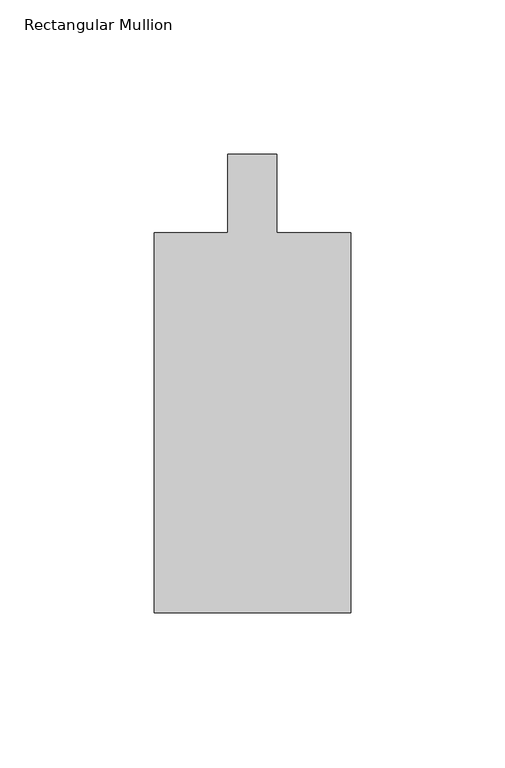
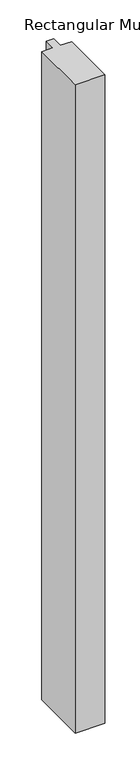
"""IFC4 building model written with IfcOpenShell, lengths in millimetres: member geometry, Rectangular Mullion."""

from ifc_helpers import new_model, si_unit, frame, origin, place, context, project, spatial, polyline, outline, extrude, source, transform, mapped, element, save


def rectangular_mullion_45a89c85(model_context):
    return source(origin(), model_context, "Body", "SweptSolid", [
        extrude(outline(polyline([(-31.75, -135.73125), (-31.75, -12.7), (-7.9375, -12.7), (-7.9375, 12.7), (7.9375, 12.7), (7.9375, -12.7), (31.75, -12.7), (31.75, -135.73125), (-31.75, -135.73125)])), frame((0.0, 0.0, -1460.5), z_axis=(0.0, 0.0, 1.0), x_axis=(1.0, 0.0, 0.0)), (0.0, 0.0, 1.0), 1460.5),
    ])


if __name__ == "__main__":
    model = new_model("IFC4")
    model_context = context("Model", 3, world=origin())
    ifc_project = project(units=[si_unit("LENGTHUNIT", "METRE", prefix="MILLI")], contexts=[model_context])
    site = spatial("IfcSite", under=ifc_project)
    building = spatial("IfcBuilding", under=site)
    placement = place(None, origin())
    rectangular_mullion_shape = rectangular_mullion_45a89c85(model_context)
    element("IfcMember", 1, ObjectType="Rectangular Mullion", at=placement, inside=building, context=model_context, shape_type="MappedRepresentation", body=[
        mapped(rectangular_mullion_shape, transform((0.0, 0.0, 0.0), x_axis=(1.0, 0.0, 0.0), y_axis=(0.0, 1.0, 0.0), z_axis=(0.0, 0.0, 1.0))),
    ])
    save(model, "model.ifc")
